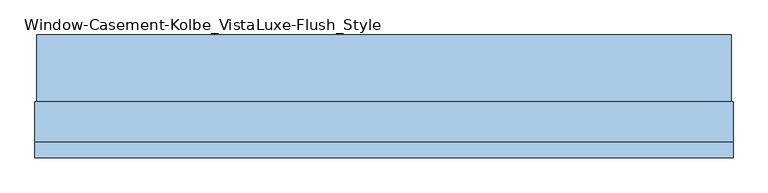
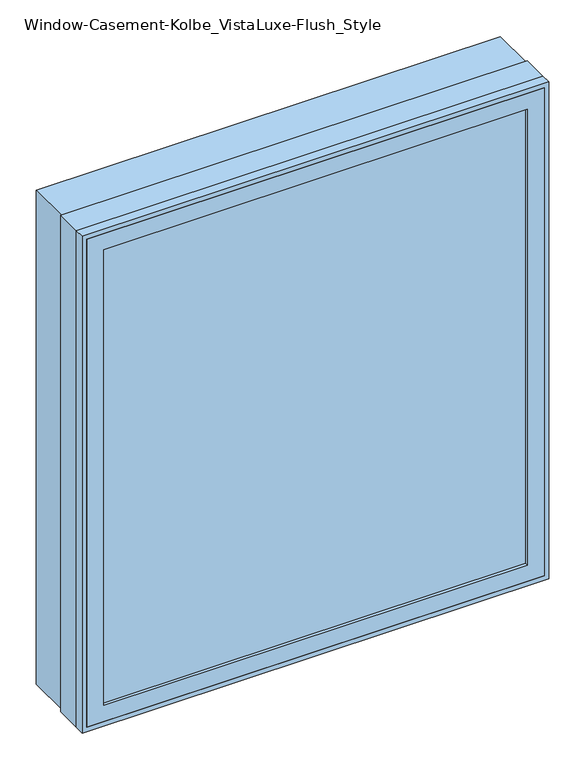
"""IFC4 building model written with IfcOpenShell, lengths in millimetres: window geometry, Window-Casement-Kolbe_VistaLuxe-Flush_Style."""

from ifc_helpers import new_model, si_unit, frame, origin, place, context, project, spatial, polyline, outline, extrude, faceted_brep, source, transform, mapped, element, save


def window_casement_kolbe_vistaluxe_flush_style_6aec0689(model_context):
    return source(origin(), model_context, "Body", "SolidModel", [
        faceted_brep([(-558.8696599, -111.85398, 970.676875), (-558.8696599, -119.79148, 970.676875), (547.7765901, -119.79148, 970.676875), (547.7765901, -111.85398, 970.676875), (-574.7446599, -89.60358, 954.801875), (-574.7446599, -111.85398, 954.801875), (563.6515901, -111.85398, 954.801875), (563.6515901, -89.60358, 954.801875), (-558.8696599, -70.57898, 970.676875), (-558.8696599, -89.60358, 970.676875), (547.7765901, -89.60358, 970.676875), (547.7765901, -70.57898, 970.676875), (-603.3196599, -119.79148, 926.226875), (-603.3196599, -70.57898, 926.226875), (592.2265901, -70.57898, 926.226875), (592.2265901, -119.79148, 926.226875), (547.7765901, -119.79148, 2229.723125), (547.7765901, -111.85398, 2229.723125), (563.6515901, -111.85398, 2245.598125), (563.6515901, -89.60358, 2245.598125), (547.7765901, -89.60358, 2229.723125), (547.7765901, -70.57898, 2229.723125), (592.2265901, -70.57898, 2274.173125), (592.2265901, -119.79148, 2274.173125), (-558.8696599, -119.79148, 2229.723125), (-558.8696599, -111.85398, 2229.723125), (-574.7446599, -111.85398, 2245.598125), (-574.7446599, -89.60358, 2245.598125), (-558.8696599, -89.60358, 2229.723125), (-558.8696599, -70.57898, 2229.723125), (-603.3196599, -70.57898, 2274.173125), (-603.3196599, -119.79148, 2274.173125)], [[[0, 1, 2, 3]], [[4, 5, 6, 7]], [[8, 9, 10, 11]], [[12, 13, 14, 15]], [[3, 2, 16, 17]], [[7, 6, 18, 19]], [[11, 10, 20, 21]], [[15, 14, 22, 23]], [[17, 16, 24, 25]], [[19, 18, 26, 27]], [[21, 20, 28, 29]], [[23, 22, 30, 31]], [[25, 24, 1, 0]], [[5, 26, 18, 6], [3, 17, 25, 0]], [[27, 26, 5, 4]], [[7, 19, 27, 4], [9, 28, 20, 10]], [[29, 28, 9, 8]], [[13, 30, 22, 14], [11, 21, 29, 8]], [[31, 30, 13, 12]], [[15, 23, 31, 12], [1, 24, 16, 2]]]),
        extrude(outline(polyline([(2282.4186, 600.4720651), (2282.4186, -611.5651349), (917.9814, -611.5651349), (917.9814, 600.4720651), (2282.4186, 600.4720651)]), holes=[polyline([(936.545625, 581.9078401), (936.545625, -593.0009099), (2263.854375, -593.0009099), (2263.854375, 581.9078401), (936.545625, 581.9078401)])]), frame((0.0, -22.9997, 0.0), z_axis=(0.0, 1.0, 0.0), x_axis=(0.0, 0.0, 1.0)), (0.0, 0.0, 1.0), 116.6622),
        extrude(outline(polyline([(2286.0, -615.1465349), (914.4, -615.1465349), (914.4, 604.0534651), (2286.0, 604.0534651), (2286.0, -615.1465349)]), holes=[polyline([(2274.173125, 592.2265901), (926.226875, 592.2265901), (926.226875, -603.3196599), (2274.173125, -603.3196599), (2274.173125, 592.2265901)])]), frame((0.0, -120.5865, 0.0), z_axis=(0.0, 1.0, 0.0), x_axis=(0.0, 0.0, 1.0)), (0.0, 0.0, 1.0), 26.924),
        faceted_brep([(604.0534651, -22.9997, 914.4), (604.0534651, -93.6625, 914.4), (-615.1465349, -93.6625, 914.4), (-615.1465349, -22.9997, 914.4), (581.9078401, -70.58025, 936.545625), (581.9078401, -22.9997, 936.545625), (-593.0009099, -22.9997, 936.545625), (-593.0009099, -70.58025, 936.545625), (592.2265901, -93.6625, 926.226875), (592.2265901, -70.58025, 926.226875), (-603.3196599, -70.58025, 926.226875), (-603.3196599, -93.6625, 926.226875), (-615.1465349, -93.6625, 2286.0), (-615.1465349, -22.9997, 2286.0), (-593.0009099, -22.9997, 2263.854375), (-593.0009099, -70.58025, 2263.854375), (-603.3196599, -70.58025, 2274.173125), (-603.3196599, -93.6625, 2274.173125), (604.0534651, -93.6625, 2286.0), (604.0534651, -22.9997, 2286.0), (581.9078401, -22.9997, 2263.854375), (581.9078401, -70.58025, 2263.854375), (592.2265901, -70.58025, 2274.173125), (592.2265901, -93.6625, 2274.173125)], [[[0, 1, 2, 3]], [[4, 5, 6, 7]], [[8, 9, 10, 11]], [[3, 2, 12, 13]], [[7, 6, 14, 15]], [[11, 10, 16, 17]], [[13, 12, 18, 19]], [[15, 14, 20, 21]], [[17, 16, 22, 23]], [[19, 18, 1, 0]], [[3, 13, 19, 0], [5, 20, 14, 6]], [[21, 20, 5, 4]], [[9, 22, 16, 10], [7, 15, 21, 4]], [[23, 22, 9, 8]], [[1, 18, 12, 2], [11, 17, 23, 8]]]),
        extrude(outline(polyline([(560.4765901, -92.77858), (-571.5696599, -92.77858), (-571.5696599, -89.60358), (560.4765901, -89.60358), (560.4765901, -92.77858)])), frame((0.0, 0.0, 957.976875), z_axis=(0.0, 0.0, 1.0), x_axis=(1.0, 0.0, 0.0)), (0.0, 0.0, 1.0), 1284.44625),
        extrude(outline(polyline([(560.4765901, -108.67898), (560.4765901, -111.85398), (-571.5696599, -111.85398), (-571.5696599, -108.67898), (560.4765901, -108.67898)])), frame((0.0, 0.0, 957.976875), z_axis=(0.0, 0.0, 1.0), x_axis=(1.0, 0.0, 0.0)), (0.0, 0.0, 1.0), 1284.44625),
        extrude(outline(polyline([(936.545625, 581.9078401), (2263.854375, 581.9078401), (2263.854375, -593.0009099), (936.545625, -593.0009099), (936.545625, 581.9078401)]), holes=[polyline([(954.801875, -574.7446599), (2245.598125, -574.7446599), (2245.598125, 563.6515901), (954.801875, 563.6515901), (954.801875, -574.7446599)])]), frame((0.0, -70.58025, 0.0), z_axis=(0.0, 1.0, 0.0), x_axis=(0.0, 0.0, 1.0)), (0.0, 0.0, 1.0), 50.8),
    ])


if __name__ == "__main__":
    model = new_model("IFC4")
    model_context = context("Model", 3, world=origin())
    ifc_project = project(units=[si_unit("LENGTHUNIT", "METRE", prefix="MILLI")], contexts=[model_context])
    site = spatial("IfcSite", under=ifc_project)
    building = spatial("IfcBuilding", under=site)
    placement = place(None, origin())
    window_casement_kolbe_vistaluxe_flush_style_shape = window_casement_kolbe_vistaluxe_flush_style_6aec0689(model_context)
    element("IfcWindow", 1, ObjectType="Window-Casement-Kolbe_VistaLuxe-Flush_Style", at=placement, inside=building, context=model_context, shape_type="MappedRepresentation", body=[
        mapped(window_casement_kolbe_vistaluxe_flush_style_shape, transform((0.0, 0.0, 0.0), x_axis=(1.0, 0.0, 0.0), y_axis=(0.0, 1.0, 0.0), z_axis=(0.0, 0.0, 1.0))),
    ])
    save(model, "model.ifc")
